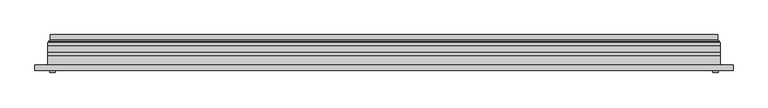
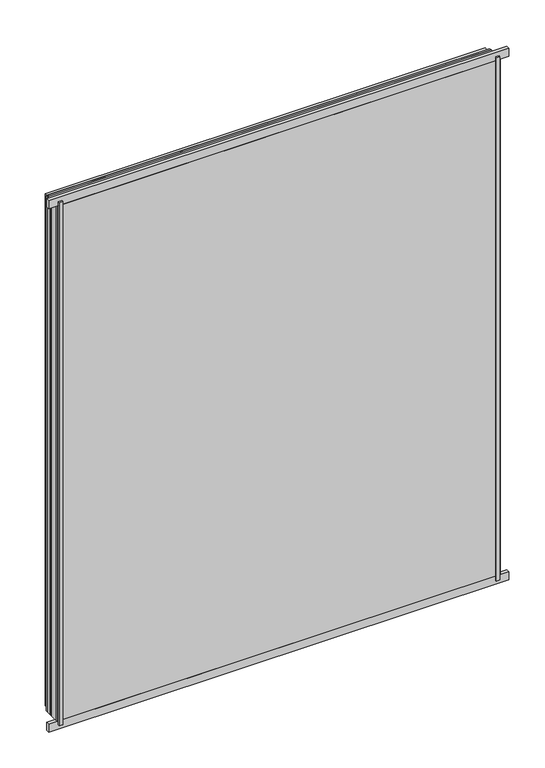
"""IFC4 building model written with IfcOpenShell, lengths in millimetres: plate geometry."""

from ifc_helpers import new_model, si_unit, frame, origin, origin_with_axes, place, context, project, spatial, polyline, ellipse_curve, outline, extrude, source, transform, mapped, element, save
from ifc_brep_helpers import plane_surface, cylinder_surface, revolved_surface, advanced_brep


def plate_d7055792(model_context):
    return source(origin(), model_context, "Body", "SolidModel", [
        extrude(outline(polyline([(33.5, -579.0), (33.5, 579.0), (1466.5, 579.0), (1466.5, -579.0), (33.5, -579.0)]), holes=[polyline([(38.5, 574.0), (38.5, -574.0), (1461.5, -574.0), (1461.5, 574.0), (38.5, 574.0)])]), frame((0.0, 0.0, 0.0), z_axis=(0.0, 1.0, 0.0), x_axis=(0.0, 0.0, 1.0)), (0.0, 0.0, 1.0), 12.0),
        extrude(outline(polyline([(11.5, -601.0), (11.5, 601.0), (1488.5, 601.0), (1488.5, -601.0), (11.5, -601.0)]), holes=[polyline([(33.5, 579.0), (33.5, -579.0), (1466.5, -579.0), (1466.5, 579.0), (33.5, 579.0)])]), frame((0.0, -26.0, 0.0), z_axis=(0.0, 1.0, 0.0), x_axis=(0.0, 0.0, 1.0)), (0.0, 0.0, 1.0), 20.0),
        extrude(outline(polyline([(11.5, -601.0), (11.5, 601.0), (1488.5, 601.0), (1488.5, -601.0), (11.5, -601.0)]), holes=[polyline([(33.5, 579.0), (33.5, -579.0), (1466.5, -579.0), (1466.5, 579.0), (33.5, 579.0)])]), frame((0.0, -26.0, 0.0), z_axis=(0.0, 1.0, 0.0), x_axis=(0.0, 0.0, 1.0)), (0.0, 0.0, 1.0), 20.0),
        extrude(outline(polyline([(601.0, -6.0), (-601.0, -6.0), (-601.0, 0.0), (601.0, 0.0), (601.0, -6.0)])), frame((0.0, 0.0, 11.5), z_axis=(0.0, 0.0, 1.0), x_axis=(1.0, 0.0, 0.0)), (0.0, 0.0, 1.0), 1477.0),
        extrude(outline(polyline([(587.5, -32.0), (597.5, -32.0), (597.5, -36.0), (587.5, -36.0), (587.5, -32.0)])), origin_with_axes(), (0.0, 0.0, 1.0), 1500.0),
        extrude(outline(polyline([(-587.5, -32.0), (-587.5, -36.0), (-597.5, -36.0), (-597.5, -32.0), (-587.5, -32.0)])), origin_with_axes(), (0.0, 0.0, 1.0), 1500.0),
        extrude(outline(polyline([(624.0, -32.0), (-624.0, -32.0), (-624.0, -22.51), (624.0, -22.51), (624.0, -32.0)])), frame((0.0, 0.0, -11.5), z_axis=(0.0, 0.0, 1.0), x_axis=(1.0, 0.0, 0.0)), (0.0, 0.0, 1.0), 23.0),
        extrude(outline(polyline([(624.0, -32.0), (-624.0, -32.0), (-624.0, -22.51), (624.0, -22.51), (624.0, -32.0)])), frame((0.0, 0.0, 1488.5), z_axis=(0.0, 0.0, 1.0), x_axis=(1.0, 0.0, 0.0)), (0.0, 0.0, 1.0), 23.0),
        extrude(outline(polyline([(11.5, -601.0), (11.5, 601.0), (1488.5, 601.0), (1488.5, -601.0), (11.5, -601.0)]), holes=[polyline([(33.5, 579.0), (33.5, -579.0), (1466.5, -579.0), (1466.5, 579.0), (33.5, 579.0)])]), frame((0.0, 0.0, 0.0), z_axis=(0.0, 1.0, 0.0), x_axis=(0.0, 0.0, 1.0)), (0.0, 0.0, 1.0), 12.0),
        extrude(outline(polyline([(33.5, -579.0), (33.5, 579.0), (1466.5, 579.0), (1466.5, -579.0), (33.5, -579.0)]), holes=[polyline([(38.5, 574.0), (38.5, -574.0), (1461.5, -574.0), (1461.5, 574.0), (38.5, 574.0)])]), frame((0.0, -26.0, 0.0), z_axis=(0.0, 1.0, 0.0), x_axis=(0.0, 0.0, 1.0)), (0.0, 0.0, 1.0), 20.0),
        extrude(outline(polyline([(601.0, 18.0), (601.0, 12.0), (-601.0, 12.0), (-601.0, 18.0), (601.0, 18.0)])), frame((0.0, 0.0, 11.5), z_axis=(0.0, 0.0, 1.0), x_axis=(1.0, 0.0, 0.0)), (0.0, 0.0, 1.0), 1477.0),
        extrude(outline(polyline([(-601.0, -32.0), (-601.0, -26.0), (601.0, -26.0), (601.0, -32.0), (-601.0, -32.0)])), frame((0.0, 0.0, 11.5), z_axis=(0.0, 0.0, 1.0), x_axis=(1.0, 0.0, 0.0)), (0.0, 0.0, 1.0), 1477.0),
        advanced_brep(
        [(587.5000103, 32.0, 24.9999897), (-587.5000103, 32.0, 24.9999897), (-587.5000103, 21.9110895, 24.9999897), (587.5000103, 21.9110895, 24.9999897), (596.4986527, 23.3044663, 16.0013474), (-596.4986527, 23.3044663, 16.0013474), (-596.4986527, 32.0, 16.0013474), (596.4986527, 32.0, 16.0013474), (598.1689728, 20.9442833, 14.3310273), (-598.1689728, 20.9442833, 14.3310273), (597.7544044, 18.0034569, 14.7455956), (-597.7544044, 18.0034569, 14.7455956), (586.5620949, 20.2163959, 25.9379052), (-586.5620949, 20.2163959, 25.9379052), (-587.1992268, 18.0000006, 25.3007732), (587.1992268, 18.0000006, 25.3007732), (-587.5000103, 32.0, 1475.0000103), (-587.5000103, 21.9110895, 1475.0000103), (-596.4986527, 23.3044663, 1483.9986526), (-596.4986527, 32.0, 1483.9986526), (-598.1689728, 20.9442833, 1485.6689727), (-597.7544044, 18.0034569, 1485.2544044), (-586.5620949, 20.2163959, 1474.0620948), (-587.1992268, 18.0000006, 1474.6992268), (587.5000103, 32.0, 1475.0000103), (587.5000103, 21.9110895, 1475.0000103), (596.4986527, 23.3044663, 1483.9986526), (596.4986527, 32.0, 1483.9986526), (598.1689728, 20.9442833, 1485.6689727), (597.7544044, 18.0034569, 1485.2544044), (586.5620949, 20.2163959, 1474.0620948), (587.1992268, 18.0000006, 1474.6992268)],
        [
            (0, 1),
            (1, 2),
            (2, 3),
            (3, 0),
            (4, 5),
            (5, 6),
            (6, 7),
            (7, 4),
            (8, 9),
            (9, 5, ellipse_curve(frame((-598.8086832, 23.1681522, 13.6913168), z_axis=(-0.7071067811865475, 0.0, 0.7071067811865475), x_axis=(-0.7071067811865476, 0.0, -0.7071067811865474)), 3.2725594, 2.314049)),
            (4, 8, ellipse_curve(frame((598.8086832, 23.1681522, 13.6913168), z_axis=(0.7071067811865475, 0.0, 0.7071067811865475), x_axis=(-0.7071067811865476, 0.0, 0.7071067811865474)), 3.2725594, 2.314049)),
            (10, 11),
            (11, 9, ellipse_curve(frame((-597.7544044, 19.5030909, 14.7455956), z_axis=(0.7071067811865475, 0.0, -0.7071067811865475), x_axis=(0.7071067811865476, 0.0, 0.7071067811865474)), 2.1208028, 1.4996341)),
            (8, 10, ellipse_curve(frame((597.7544044, 19.5030909, 14.7455956), z_axis=(-0.7071067811865475, 0.0, -0.7071067811865475), x_axis=(0.7071067811865476, 0.0, -0.7071067811865474)), 2.1208028, 1.4996341)),
            (12, 13),
            (13, 14, ellipse_curve(frame((-587.1992268, 19.1997743, 25.3007732), z_axis=(0.7071067811865475, 0.0, -0.7071067811865475), x_axis=(0.7071067811865476, 0.0, 0.7071067811865474)), 1.6967361, 1.1997736)),
            (14, 15),
            (15, 12, ellipse_curve(frame((587.1992268, 19.1997743, 25.3007732), z_axis=(-0.7071067811865475, 0.0, -0.7071067811865475), x_axis=(0.7071067811865476, 0.0, -0.7071067811865474)), 1.6967361, 1.1997736)),
            (2, 13, ellipse_curve(frame((-585.5000051, 21.9110895, 26.9999949), z_axis=(-0.7071067811865475, 0.0, 0.7071067811865475), x_axis=(-0.7071067811865476, 0.0, -0.7071067811865474)), 2.8284345, 2.0000052)),
            (12, 3, ellipse_curve(frame((585.5000051, 21.9110895, 26.9999949), z_axis=(0.7071067811865475, 0.0, 0.7071067811865475), x_axis=(-0.7071067811865476, 0.0, 0.7071067811865474)), 2.8284345, 2.0000052)),
            (1, 16),
            (16, 17),
            (17, 2),
            (5, 18),
            (18, 19),
            (19, 6),
            (9, 20),
            (20, 18, ellipse_curve(frame((-598.8086832, 23.1681522, 1486.3086832), z_axis=(0.7071067811865475, 0.0, 0.7071067811865475), x_axis=(-0.7071067811865474, 0.0, 0.7071067811865476)), 3.2725594, 2.314049)),
            (11, 21),
            (21, 20, ellipse_curve(frame((-597.7544044, 19.5030909, 1485.2544044), z_axis=(-0.7071067811865475, 0.0, -0.7071067811865475), x_axis=(0.7071067811865474, 0.0, -0.7071067811865476)), 2.1208028, 1.4996341)),
            (13, 22),
            (22, 23, ellipse_curve(frame((-587.1992268, 19.1997743, 1474.6992268), z_axis=(-0.7071067811865475, 0.0, -0.7071067811865475), x_axis=(0.7071067811865474, 0.0, -0.7071067811865476)), 1.6967361, 1.1997736)),
            (23, 14),
            (17, 22, ellipse_curve(frame((-585.5000051, 21.9110895, 1473.0000051), z_axis=(0.7071067811865475, 0.0, 0.7071067811865475), x_axis=(-0.7071067811865474, 0.0, 0.7071067811865476)), 2.8284345, 2.0000052)),
            (16, 24),
            (24, 25),
            (25, 17),
            (18, 26),
            (26, 27),
            (27, 19),
            (20, 28),
            (28, 26, ellipse_curve(frame((598.8086832, 23.1681522, 1486.3086832), z_axis=(0.7071067811865475, 0.0, -0.7071067811865475), x_axis=(0.7071067811865476, 0.0, 0.7071067811865474)), 3.2725594, 2.314049)),
            (21, 29),
            (29, 28, ellipse_curve(frame((597.7544044, 19.5030909, 1485.2544044), z_axis=(-0.7071067811865475, 0.0, 0.7071067811865475), x_axis=(-0.7071067811865476, 0.0, -0.7071067811865474)), 2.1208028, 1.4996341)),
            (22, 30),
            (30, 31, ellipse_curve(frame((587.1992268, 19.1997743, 1474.6992268), z_axis=(-0.7071067811865475, 0.0, 0.7071067811865475), x_axis=(-0.7071067811865476, 0.0, -0.7071067811865474)), 1.6967361, 1.1997736)),
            (31, 23),
            (25, 30, ellipse_curve(frame((585.5000051, 21.9110895, 1473.0000051), z_axis=(0.7071067811865475, 0.0, -0.7071067811865475), x_axis=(0.7071067811865476, 0.0, 0.7071067811865474)), 2.8284345, 2.0000052)),
            (24, 0),
            (3, 25),
            (26, 4),
            (7, 27),
            (28, 8),
            (29, 10),
            (31, 15),
            (30, 12),
        ],
        [
            plane_surface(frame((587.5000103, 21.9110895, 24.9999897), z_axis=(0.0, 0.0, 1.0), x_axis=(-1.0, 0.0, 0.0))),
            plane_surface(frame((596.4986527, 32.0, 16.0013474), z_axis=(0.0, 0.0, -1.0), x_axis=(-1.0, 0.0, 0.0))),
            revolved_surface(polyline([(-601.1227321435756, 25.482201200000002, 13.6913168), (601.1227321435758, 25.482201200000002, 13.6913168)]), (587.5, 23.1681522, 13.6913168), (-1.0, 0.0, 0.0)),
            cylinder_surface(frame((587.5, 19.5030909, 14.7455956), z_axis=(1.0, 0.0, 0.0), x_axis=(0.0, 1.0, 0.0)), 1.4996341),
            cylinder_surface(frame((587.5, 19.1997743, 25.3007732), z_axis=(1.0, 0.0, 0.0), x_axis=(0.0, 1.0, 0.0)), 1.1997736),
            revolved_surface(polyline([(-587.5000103150919, 23.9110947, 26.9999949), (587.5000103150919, 23.9110947, 26.9999949)]), (587.5, 21.9110895, 26.9999949), (-1.0, 0.0, 0.0)),
            plane_surface(frame((-587.5000103, 21.9110895, 24.9999897), z_axis=(1.0, 0.0, 0.0), x_axis=(0.0, 0.0, 1.0))),
            plane_surface(frame((-596.4986527, 32.0, 16.0013474), z_axis=(-1.0, 0.0, 0.0), x_axis=(0.0, 0.0, 1.0))),
            revolved_surface(polyline([(-598.8086832, 25.482201200000002, 1488.6227321435756), (-598.8086832, 25.482201200000002, 11.37726785642422)]), (-598.8086832, 23.1681522, 25.0), (0.0, 0.0, 1.0)),
            cylinder_surface(frame((-597.7544044, 19.5030909, 25.0), z_axis=(0.0, 0.0, -1.0), x_axis=(0.0, 1.0, 0.0)), 1.4996341),
            cylinder_surface(frame((-587.1992268, 19.1997743, 25.0), z_axis=(0.0, 0.0, -1.0), x_axis=(0.0, 1.0, 0.0)), 1.1997736),
            revolved_surface(polyline([(-585.5000051, 23.9110947, 1475.000010315092), (-585.5000051, 23.9110947, 24.99998968490802)]), (-585.5000051, 21.9110895, 25.0), (0.0, 0.0, 1.0)),
            plane_surface(frame((-587.5000103, 21.9110895, 1475.0000103), z_axis=(0.0, 0.0, -1.0), x_axis=(1.0, 0.0, 0.0))),
            plane_surface(frame((-596.4986527, 32.0, 1483.9986526), z_axis=(0.0, 0.0, 1.0), x_axis=(1.0, 0.0, 0.0))),
            revolved_surface(polyline([(601.1227321435756, 25.482201200000002, 1486.3086832), (-601.1227321435758, 25.482201200000002, 1486.3086832)]), (-587.5, 23.1681522, 1486.3086832), (1.0, 0.0, 0.0)),
            cylinder_surface(frame((-587.5, 19.5030909, 1485.2544044), z_axis=(-1.0, 0.0, 0.0), x_axis=(0.0, 1.0, 0.0)), 1.4996341),
            cylinder_surface(frame((-587.5, 19.1997743, 1474.6992268), z_axis=(-1.0, 0.0, 0.0), x_axis=(0.0, 1.0, 0.0)), 1.1997736),
            revolved_surface(polyline([(587.5000103150919, 23.9110947, 1473.0000051), (-587.5000103150919, 23.9110947, 1473.0000051)]), (-587.5, 21.9110895, 1473.0000051), (1.0, 0.0, 0.0)),
            plane_surface(frame((587.5000103, 21.9110895, 1475.0000103), z_axis=(-1.0, 0.0, 0.0), x_axis=(0.0, 0.0, -1.0))),
            plane_surface(frame((596.4986527, 32.0, 1483.9986526), z_axis=(1.0, 0.0, 0.0), x_axis=(0.0, 0.0, -1.0))),
            revolved_surface(polyline([(598.8086832, 25.482201200000002, 11.377267856424396), (598.8086832, 25.482201200000002, 1488.6227321435756)]), (598.8086832, 23.1681522, 1475.0), (0.0, 0.0, -1.0)),
            cylinder_surface(frame((597.7544044, 19.5030909, 1475.0), z_axis=(0.0, 0.0, 1.0), x_axis=(0.0, 1.0, 0.0)), 1.4996341),
            plane_surface(frame((597.7544044, 18.0000006, 1485.2544044), z_axis=(0.0, -1.0, 0.0), x_axis=(0.0, 0.0, -1.0))),
            cylinder_surface(frame((587.1992268, 19.1997743, 1475.0), z_axis=(0.0, 0.0, 1.0), x_axis=(0.0, 1.0, 0.0)), 1.1997736),
            revolved_surface(polyline([(585.5000051, 23.9110947, 24.999989684908087), (585.5000051, 23.9110947, 1475.000010315092)]), (585.5000051, 21.9110895, 1475.0), (0.0, 0.0, -1.0)),
            plane_surface(frame((587.5000103, 32.0, 1475.0000103), z_axis=(0.0, 1.0, 0.0), x_axis=(0.0, 0.0, -1.0))),
        ],
        [
            (0, [[1, 2, 3, 4]]),
            (1, [[5, 6, 7, 8]]),
            (2, [[9, 10, -5, 11]]),
            (3, [[12, 13, -9, 14]]),
            (4, [[15, 16, 17, 18]]),
            (5, [[-3, 19, -15, 20]]),
            (6, [[21, 22, 23, -2]]),
            (7, [[24, 25, 26, -6]]),
            (8, [[27, 28, -24, -10]]),
            (9, [[29, 30, -27, -13]]),
            (10, [[31, 32, 33, -16]]),
            (11, [[-23, 34, -31, -19]]),
            (12, [[35, 36, 37, -22]]),
            (13, [[38, 39, 40, -25]]),
            (14, [[41, 42, -38, -28]]),
            (15, [[43, 44, -41, -30]]),
            (16, [[45, 46, 47, -32]]),
            (17, [[-37, 48, -45, -34]]),
            (18, [[49, -4, 50, -36]]),
            (19, [[51, -8, 52, -39]]),
            (20, [[53, -11, -51, -42]]),
            (21, [[54, -14, -53, -44]]),
            (22, [[-12, -54, -43, -29], [-17, -33, -47, 55]]),
            (23, [[56, -18, -55, -46]]),
            (24, [[-50, -20, -56, -48]]),
            (25, [[-7, -26, -40, -52], [-1, -49, -35, -21]]),
        ],
    ),
    ])


if __name__ == "__main__":
    model = new_model("IFC4")
    model_context = context("Model", 3, world=origin())
    ifc_project = project(units=[si_unit("LENGTHUNIT", "METRE", prefix="MILLI")], contexts=[model_context])
    site = spatial("IfcSite", under=ifc_project)
    building = spatial("IfcBuilding", under=site)
    placement = place(None, origin())
    plate_shape = plate_d7055792(model_context)
    element("IfcPlate", 1, at=placement, inside=building, context=model_context, shape_type="MappedRepresentation", body=[
        mapped(plate_shape, transform((0.0, 0.0, 0.0), x_axis=(1.0, 0.0, 0.0), y_axis=(0.0, 1.0, 0.0), z_axis=(0.0, 0.0, 1.0))),
    ])
    save(model, "model.ifc")
